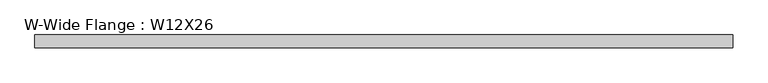
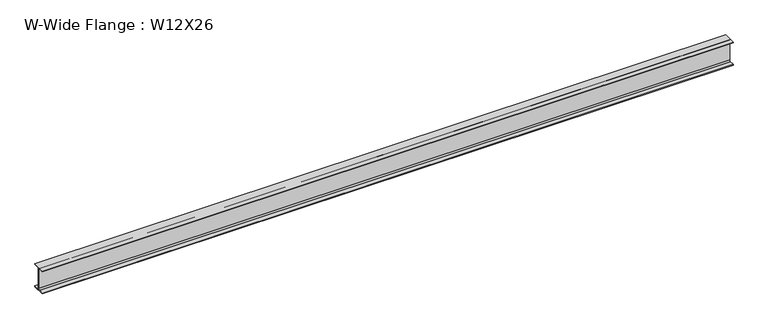
"""IFC4 building model written with IfcOpenShell, lengths in millimetres: beam geometry, W-Wide Flange : W12X26."""

from ifc_helpers import new_model, si_unit, point, frame, frame_2d, origin, place, context, project, spatial, polyline, circle_curve, trimmed, segment, composite_curve, outline, extrude, source, transform, mapped, element, save


def w_wide_flange_w12x26_bbc89be4(model_context):
    return source(origin(), model_context, "Body", "SweptSolid", [
        extrude(outline(composite_curve([segment(polyline([(82.4011719, -145.5539063), (82.4011719, -155.178125), (-82.4011719, -155.178125), (-82.4011719, -145.5539063), (-20.2902344, -145.5539063)]), True, "CONTINUOUS"), segment(trimmed(circle_curve(frame_2d((-20.2902344, -128.190625)), 17.3632812), [point((-20.2902344, -145.5539063))], [point((-2.9269531, -128.190625))], True, "CARTESIAN"), True, "CONTINUOUS"), segment(polyline([(-2.9269531, -128.190625), (-2.9269531, 128.190625)]), True, "CONTINUOUS"), segment(trimmed(circle_curve(frame_2d((-20.2902344, 128.190625)), 17.3632812), [point((-2.9269531, 128.190625))], [point((-20.2902344, 145.5539062))], True, "CARTESIAN"), True, "CONTINUOUS"), segment(polyline([(-20.2902344, 145.5539062), (-82.4011719, 145.5539062), (-82.4011719, 155.178125), (82.4011719, 155.178125), (82.4011719, 145.5539062), (20.2902344, 145.5539062)]), True, "CONTINUOUS"), segment(trimmed(circle_curve(frame_2d((20.2902344, 128.190625)), 17.3632812), [point((20.2902344, 145.5539062))], [point((2.9269531, 128.190625))], True, "CARTESIAN"), True, "CONTINUOUS"), segment(polyline([(2.9269531, 128.190625), (2.9269531, -128.190625)]), True, "CONTINUOUS"), segment(trimmed(circle_curve(frame_2d((20.2902344, -128.190625)), 17.3632812), [point((2.9269531, -128.190625))], [point((20.2902344, -145.5539063))], True, "CARTESIAN"), True, "CONTINUOUS"), segment(polyline([(20.2902344, -145.5539063), (82.4011719, -145.5539063)]), True, "CONTINUOUS")], self_intersect=False)), frame((-4431.2333984, 0.0, 0.0), z_axis=(1.0, 0.0, 0.0), x_axis=(0.0, 1.0, 0.0)), (0.0, 0.0, 1.0), 8859.5398438),
    ])


if __name__ == "__main__":
    model = new_model("IFC4")
    model_context = context("Model", 3, world=origin())
    ifc_project = project(units=[si_unit("LENGTHUNIT", "METRE", prefix="MILLI")], contexts=[model_context])
    site = spatial("IfcSite", under=ifc_project)
    building = spatial("IfcBuilding", under=site)
    placement = place(None, origin())
    w_wide_flange_w12x26_shape = w_wide_flange_w12x26_bbc89be4(model_context)
    element("IfcBeam", 1, ObjectType="W-Wide Flange : W12X26", at=placement, inside=building, context=model_context, shape_type="MappedRepresentation", body=[
        mapped(w_wide_flange_w12x26_shape, transform((0.0, 0.0, 0.0), x_axis=(1.0, 0.0, 0.0), y_axis=(0.0, 1.0, 0.0), z_axis=(0.0, 0.0, 1.0))),
    ])
    save(model, "model.ifc")
